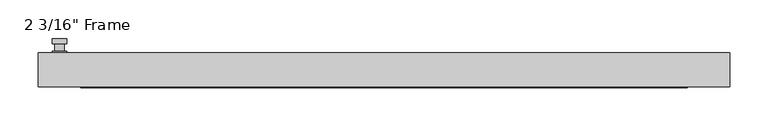
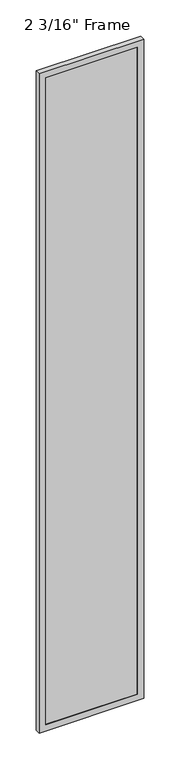
"""IFC4 building model written with IfcOpenShell, lengths in millimetres: plate geometry."""

from ifc_helpers import new_model, si_unit, frame, origin, place, context, project, spatial, polyline, circle_curve, outline, extrude, faceted_brep, source, transform, mapped, element, save
from ifc_brep_helpers import plane_surface, cylinder_surface, advanced_brep


def plate_0aa250b6(model_context):
    return source(origin(), model_context, "Body", "SolidModel", [
        advanced_brep(
        [(-415.13125, 22.225, 927.1), (-434.18125, 22.225, 927.1), (-434.18125, 22.225, 901.7), (-415.13125, 22.225, 901.7), (-418.30625, 34.925, 914.4), (-418.30625, 25.4, 914.4), (-431.00625, 25.4, 914.4), (-431.00625, 34.925, 914.4), (-415.13125, 34.925, 914.4), (-434.18125, 34.925, 914.4), (-431.0022144, 34.925, 825.2736467), (-418.3102856, 34.925, 825.2736467), (-415.13125, 41.275, 914.4), (-418.3102856, 41.275, 825.2736467), (-431.0022144, 41.275, 825.2736467), (-434.18125, 41.275, 914.4), (-415.13125, 25.4, 927.1), (-415.13125, 25.4, 901.7), (-434.18125, 25.4, 901.7), (-434.18125, 25.4, 927.1)],
        [
            (0, 1, circle_curve(frame((-424.65625, 22.225, 927.1), z_axis=(0.0, -1.0, 0.0), x_axis=(-1.0, 0.0, 0.0)), 9.525)),
            (1, 2),
            (2, 3, circle_curve(frame((-424.65625, 22.225, 901.7), z_axis=(0.0, -1.0, 0.0), x_axis=(-1.0, 0.0, 0.0)), 9.525)),
            (3, 0),
            (4, 5),
            (5, 6, circle_curve(frame((-424.65625, 25.4, 914.4), z_axis=(0.0, 1.0, 0.0), x_axis=(-1.0, 0.0, 0.0)), 6.35)),
            (6, 7),
            (7, 4, circle_curve(frame((-424.65625, 34.925, 914.4), z_axis=(0.0, -1.0, 0.0), x_axis=(-1.0, 0.0, 0.0)), 6.35)),
            (6, 5, circle_curve(frame((-424.65625, 25.4, 914.4), z_axis=(0.0, 1.0, 0.0), x_axis=(-1.0, 0.0, 0.0)), 6.35)),
            (4, 7, circle_curve(frame((-424.65625, 34.925, 914.4), z_axis=(0.0, -1.0, 0.0), x_axis=(-1.0, 0.0, 0.0)), 6.35)),
            (8, 9, circle_curve(frame((-424.65625, 34.925, 914.4), z_axis=(0.0, -1.0, 0.0), x_axis=(-1.0, 0.0, 0.0)), 9.525)),
            (9, 10),
            (10, 11, circle_curve(frame((-424.65625, 34.925, 825.5), z_axis=(0.0, -1.0, 0.0), x_axis=(-1.0, 0.0, 0.0)), 6.35)),
            (11, 8),
            (12, 13),
            (13, 14, circle_curve(frame((-424.65625, 41.275, 825.5), z_axis=(0.0, 1.0, 0.0), x_axis=(-1.0, 0.0, 0.0)), 6.35)),
            (14, 15),
            (15, 12, circle_curve(frame((-424.65625, 41.275, 914.4), z_axis=(0.0, 1.0, 0.0), x_axis=(-1.0, 0.0, 0.0)), 9.525)),
            (11, 13),
            (12, 8),
            (10, 14),
            (9, 15),
            (16, 17),
            (17, 18, circle_curve(frame((-424.65625, 25.4, 901.7), z_axis=(0.0, 1.0, 0.0), x_axis=(-1.0, 0.0, 0.0)), 9.525)),
            (18, 19),
            (19, 16, circle_curve(frame((-424.65625, 25.4, 927.1), z_axis=(0.0, 1.0, 0.0), x_axis=(-1.0, 0.0, 0.0)), 9.525)),
            (3, 17),
            (16, 0),
            (2, 18),
            (1, 19),
        ],
        [
            plane_surface(frame((-431.00625, 22.225, 914.4), z_axis=(0.0, -1.0, 0.0), x_axis=(0.0, 0.0, 1.0))),
            cylinder_surface(frame((-424.65625, 34.925, 914.4), z_axis=(0.0, -1.0, 0.0), x_axis=(-1.0, 0.0, 0.0)), 6.35),
            plane_surface(frame((-415.13125, 34.925, 914.4), z_axis=(0.0, -1.0000000000000002, 0.0), x_axis=(-0.03564619348186888, 0.0, -0.9993644724975235))),
            plane_surface(frame((-415.13125, 41.275, 914.4), z_axis=(0.0, 1.0000000000000002, 0.0), x_axis=(0.03564619348186888, 0.0, 0.9993644724975235))),
            plane_surface(frame((-415.13125, 34.925, 914.4), z_axis=(0.9993644724975235, 0.0, -0.03564619348186888), x_axis=(0.0, 1.0, 0.0))),
            cylinder_surface(frame((-424.65625, 41.275, 825.5), z_axis=(0.0, -1.0, 0.0), x_axis=(-1.0, 0.0, 0.0)), 6.35),
            plane_surface(frame((-431.0022144, 34.925, 825.2736467), z_axis=(-0.9993644724975228, 0.0, -0.03564619348188612), x_axis=(0.0, 1.0, 0.0))),
            cylinder_surface(frame((-424.65625, 41.275, 914.4), z_axis=(0.0, -1.0, 0.0), x_axis=(-1.0, 0.0, 0.0)), 9.525),
            plane_surface(frame((-415.13125, 25.4, 901.7), z_axis=(0.0, 1.0, 0.0), x_axis=(0.0, 0.0, 1.0))),
            plane_surface(frame((-415.13125, 22.225, 927.1), z_axis=(1.0, 0.0, 0.0), x_axis=(0.0, 1.0, 0.0))),
            cylinder_surface(frame((-424.65625, 25.4, 901.7), z_axis=(0.0, -1.0, 0.0), x_axis=(-1.0, 0.0, 0.0)), 9.525),
            plane_surface(frame((-434.18125, 22.225, 901.7), z_axis=(-1.0, 0.0, 0.0), x_axis=(0.0, 1.0, 0.0))),
            cylinder_surface(frame((-424.65625, 25.4, 927.1), z_axis=(0.0, -1.0, 0.0), x_axis=(-1.0, 0.0, 0.0)), 9.525),
        ],
        [
            (0, [[1, 2, 3, 4]]),
            (1, [[5, 6, 7, 8]]),
            (1, [[-7, 9, -5, 10]]),
            (2, [[11, 12, 13, 14], [-10, -8]]),
            (3, [[15, 16, 17, 18]]),
            (4, [[19, -15, 20, -14]]),
            (5, [[21, -16, -19, -13]]),
            (6, [[22, -17, -21, -12]]),
            (7, [[-20, -18, -22, -11]]),
            (8, [[23, 24, 25, 26], [-9, -6]]),
            (9, [[27, -23, 28, -4]]),
            (10, [[29, -24, -27, -3]]),
            (11, [[30, -25, -29, -2]]),
            (12, [[-28, -26, -30, -1]]),
        ],
    ),
        faceted_brep([(-452.4375, 22.225, 0.0), (452.4375, 22.225, 0.0), (452.4375, -22.225, 0.0), (-452.4375, -22.225, 0.0), (-396.875, -22.225, 5964.2375), (-396.875, -22.225, 55.5625), (-396.875, -15.875, 55.5625), (-396.875, -15.875, 5964.2375), (409.575, -15.875, 5976.9375), (409.575, -15.875, 42.8625), (-409.575, -15.875, 42.8625), (-409.575, -15.875, 5976.9375), (396.875, -15.875, 55.5625), (396.875, -15.875, 5964.2375), (-409.575, 7.9375, 42.8625), (-409.575, 7.9375, 5976.9375), (409.575, 7.9375, 42.8625), (409.575, 7.9375, 5976.9375), (-396.875, 7.9375, 5964.2375), (396.875, 7.9375, 5964.2375), (396.875, 7.9375, 55.5625), (-396.875, 7.9375, 55.5625), (-396.875, 22.225, 55.5625), (-396.875, 22.225, 5964.2375), (-452.4375, 22.225, 6019.8), (452.4375, 22.225, 6019.8), (396.875, 22.225, 55.5625), (396.875, 22.225, 5964.2375), (-452.4375, -22.225, 6019.8), (452.4375, -22.225, 6019.8), (396.875, -22.225, 5964.2375), (396.875, -22.225, 55.5625)], [[[0, 1, 2, 3]], [[4, 5, 6, 7]], [[8, 9, 10, 11], [7, 6, 12, 13]], [[10, 14, 15, 11]], [[15, 14, 16, 17], [18, 19, 20, 21]], [[18, 21, 22, 23]], [[0, 24, 25, 1], [23, 22, 26, 27]], [[3, 28, 24, 0]], [[2, 29, 28, 3], [4, 30, 31, 5]], [[7, 13, 30, 4]], [[11, 15, 17, 8]], [[18, 23, 27, 19]], [[24, 28, 29, 25]], [[13, 12, 31, 30]], [[16, 9, 8, 17]], [[27, 26, 20, 19]], [[25, 29, 2, 1]], [[22, 21, 20, 26]], [[9, 16, 14, 10]], [[6, 5, 31, 12]]]),
        extrude(outline(polyline([(409.575, 7.9375), (409.575, -15.875), (-409.575, -15.875), (-409.575, 7.9375), (409.575, 7.9375)])), frame((0.0, 0.0, 42.8625), z_axis=(0.0, 0.0, 1.0), x_axis=(1.0, 0.0, 0.0)), (0.0, 0.0, 1.0), 5934.075),
    ])


if __name__ == "__main__":
    model = new_model("IFC4")
    model_context = context("Model", 3, world=origin())
    ifc_project = project(units=[si_unit("LENGTHUNIT", "METRE", prefix="MILLI")], contexts=[model_context])
    site = spatial("IfcSite", under=ifc_project)
    building = spatial("IfcBuilding", under=site)
    placement = place(None, origin())
    plate_shape = plate_0aa250b6(model_context)
    element("IfcPlate", 1, ObjectType="2 3/16\" Frame", at=placement, inside=building, context=model_context, shape_type="MappedRepresentation", body=[
        mapped(plate_shape, transform((0.0, 0.0, 0.0), x_axis=(1.0, 0.0, 0.0), y_axis=(0.0, 1.0, 0.0), z_axis=(0.0, 0.0, 1.0))),
    ])
    save(model, "model.ifc")
